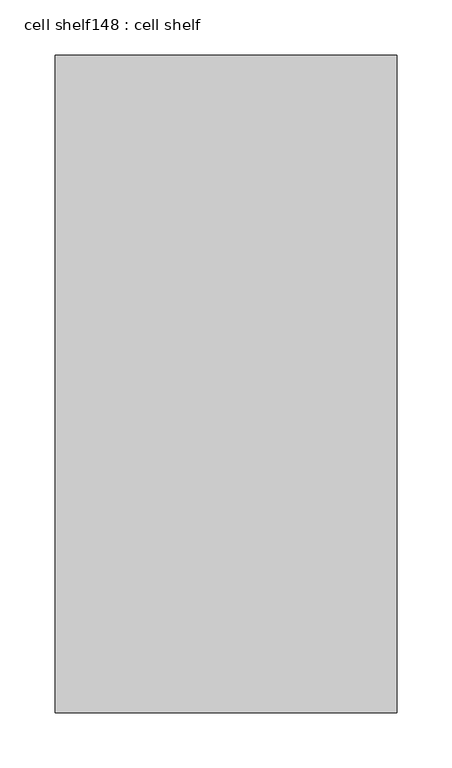
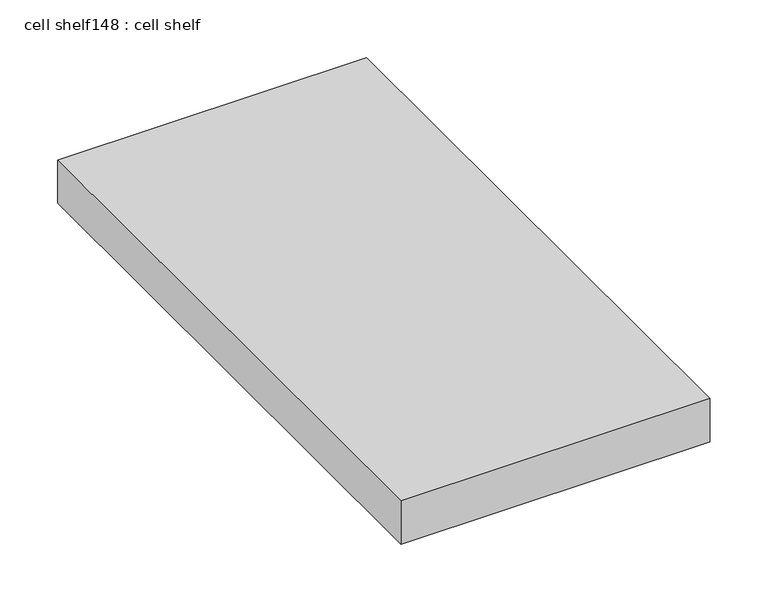
"""IFC4 building model written with IfcOpenShell, lengths in millimetres: proxy geometry, cell shelf148 : cell shelf."""

from ifc_helpers import new_model, si_unit, frame, origin, place, context, project, spatial, polyline, outline, extrude, source, transform, mapped, element, save


def cell_shelf148_cell_shelf_e6fd16ae(model_context):
    return source(origin(), model_context, "Body", "SweptSolid", [
        extrude(outline(polyline([(-129444.1282024, -72609.4792641), (-129444.1282024, -72014.3928685), (-129134.7804059, -72014.3928685), (-129134.7804059, -72609.4792641), (-129444.1282024, -72609.4792641)])), frame((0.0, 0.0, 1320.0941517), z_axis=(0.0, 0.0, 1.0), x_axis=(1.0, 0.0, 0.0)), (0.0, 0.0, 1.0), 45.8133004),
    ])


if __name__ == "__main__":
    model = new_model("IFC4")
    model_context = context("Model", 3, world=origin())
    ifc_project = project(units=[si_unit("LENGTHUNIT", "METRE", prefix="MILLI")], contexts=[model_context])
    site = spatial("IfcSite", under=ifc_project)
    building = spatial("IfcBuilding", under=site)
    placement = place(None, origin())
    cell_shelf148_cell_shelf_shape = cell_shelf148_cell_shelf_e6fd16ae(model_context)
    element("IfcBuildingElementProxy", 1, Name="cell shelf148 : cell shelf", ObjectType="cell shelf148 : cell shelf", at=placement, inside=building, context=model_context, shape_type="MappedRepresentation", body=[
        mapped(cell_shelf148_cell_shelf_shape, transform((0.0, 0.0, 0.0), x_axis=(1.0, 0.0, 0.0), y_axis=(0.0, 1.0, 0.0), z_axis=(0.0, 0.0, 1.0))),
    ])
    save(model, "model.ifc")
